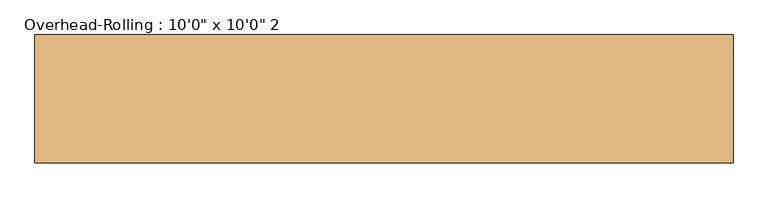
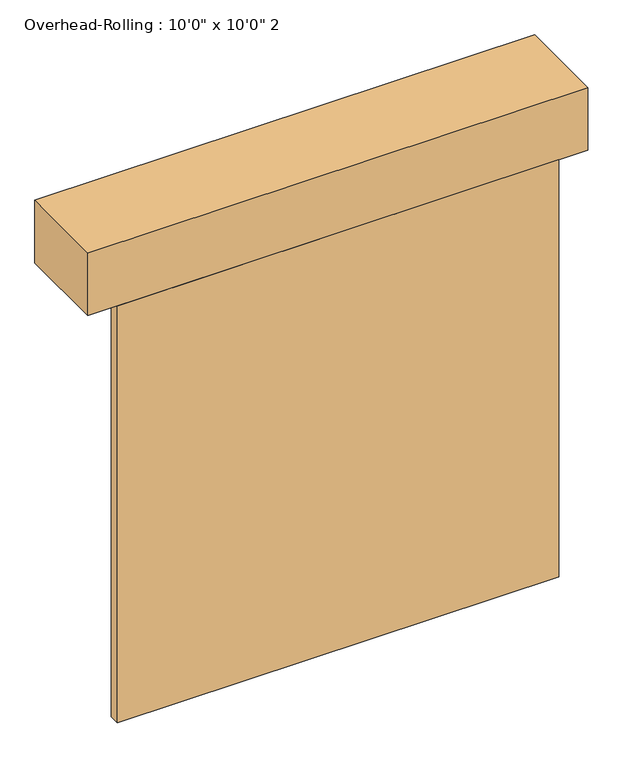
"""IFC4 building model written with IfcOpenShell, lengths in millimetres: door geometry."""

from ifc_helpers import new_model, si_unit, frame, origin, origin_with_axes, place, context, project, spatial, polyline, outline, extrude, source, transform, mapped, element, save


def door_e9d6845e(model_context):
    return source(origin(), model_context, "Body", "SweptSolid", [
        extrude(outline(polyline([(1524.0, 152.4), (-1524.0, 152.4), (-1524.0, 228.6), (1524.0, 228.6), (1524.0, 152.4)])), origin_with_axes(), (0.0, 0.0, 1.0), 3048.0),
        extrude(outline(polyline([(1727.2, 787.4), (1727.2, 152.4), (-1727.2, 152.4), (-1727.2, 787.4), (1727.2, 787.4)])), frame((0.0, 0.0, 3048.0), z_axis=(0.0, 0.0, 1.0), x_axis=(1.0, 0.0, 0.0)), (0.0, 0.0, 1.0), 457.2),
    ])


if __name__ == "__main__":
    model = new_model("IFC4")
    model_context = context("Model", 3, world=origin())
    ifc_project = project(units=[si_unit("LENGTHUNIT", "METRE", prefix="MILLI")], contexts=[model_context])
    site = spatial("IfcSite", under=ifc_project)
    building = spatial("IfcBuilding", under=site)
    placement = place(None, origin())
    door_shape = door_e9d6845e(model_context)
    element("IfcDoor", 1, ObjectType="Overhead-Rolling : 10'0\" x 10'0\" 2", at=placement, inside=building, context=model_context, shape_type="MappedRepresentation", body=[
        mapped(door_shape, transform((0.0, 0.0, 0.0), x_axis=(1.0, 0.0, 0.0), y_axis=(0.0, 1.0, 0.0), z_axis=(0.0, 0.0, 1.0))),
    ])
    save(model, "model.ifc")
